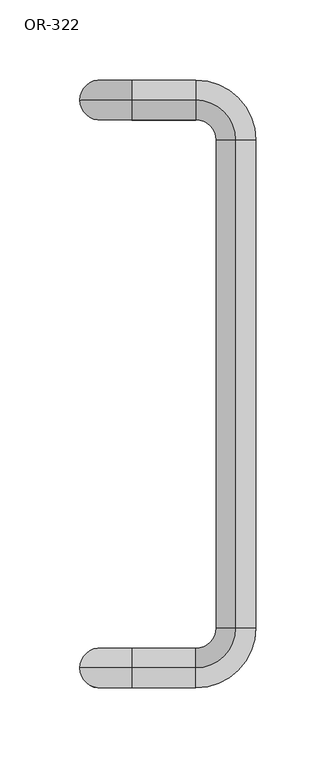
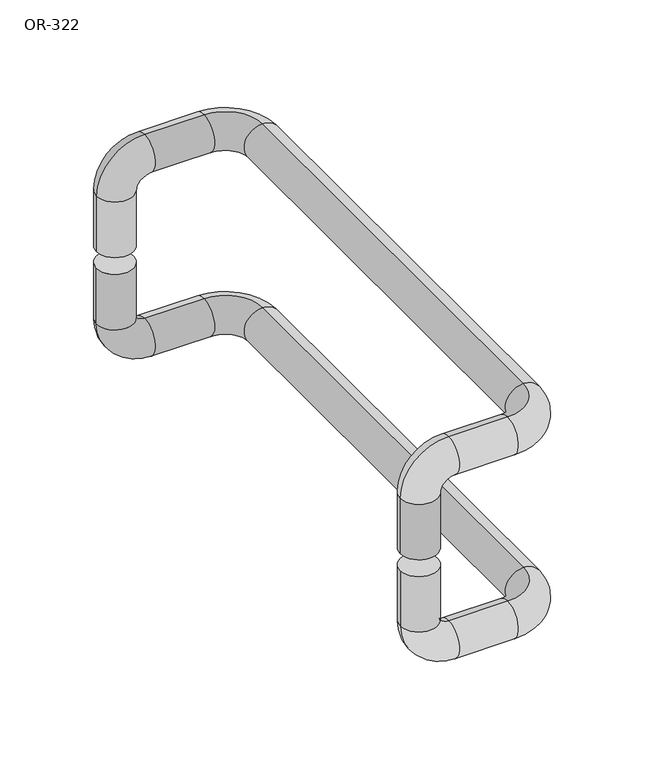
"""IFC4 building model written with IfcOpenShell, lengths in millimetres: proxy geometry, OR-322."""

from ifc_helpers import new_model, si_unit, point, frame, origin, place, context, project, spatial, circle_curve, ellipse_curve, trimmed, source, transform, mapped, element, save
from ifc_brep_helpers import plane_surface, cylinder_surface, revolved_surface, advanced_brep


def or_322_b1645a32(model_context):
    return source(origin(), model_context, "Body", "AdvancedBrep", [
        advanced_brep(
        [(12.5, 177.5, -12.0), (-12.5, 177.5, -12.0), (-12.5, 177.5, -51.5), (12.5, 177.5, -51.5), (20.0, 177.5, -59.0), (20.0, 177.5, -84.0), (12.5, -177.5, -51.5), (20.0, -177.5, -59.0), (20.0, -177.5, -84.0), (-12.5, -177.5, -51.5), (12.5, -177.5, -12.0), (-12.5, -177.5, -12.0), (60.0, 177.5, -84.0), (60.0, 177.5, -59.0), (85.0, 152.5, -59.0), (85.0, 152.5, -84.0), (85.0, -152.5, -84.0), (85.0, -152.5, -59.0), (60.0, -177.5, -59.0), (60.0, -177.5, -84.0)],
        [
            (0, 1, circle_curve(frame((0.0, 177.5, -12.0), z_axis=(0.0, 0.0, 1.0), x_axis=(-1.0, 0.0, 0.0)), 12.5)),
            (1, 0, circle_curve(frame((0.0, 177.5, -12.0), z_axis=(0.0, 0.0, 1.0), x_axis=(-1.0, 0.0, 0.0)), 12.5)),
            (1, 2),
            (2, 3, circle_curve(frame((0.0, 177.5, -51.5), z_axis=(0.0, 0.0, 1.0), x_axis=(-1.0, 0.0, 0.0)), 12.5)),
            (3, 0),
            (3, 2, circle_curve(frame((0.0, 177.5, -51.5), z_axis=(0.0, 0.0, 1.0), x_axis=(-1.0, 0.0, 0.0)), 12.5)),
            (4, 3, circle_curve(frame((20.0, 177.5, -51.5), z_axis=(0.0, 1.0, 0.0), x_axis=(-1.0, 0.0, 0.0)), 7.5)),
            (2, 5, circle_curve(frame((20.0, 177.5, -51.5), z_axis=(0.0, -1.0, 0.0), x_axis=(-1.0, 0.0, 0.0)), 32.5)),
            (5, 4, circle_curve(frame((20.0, 177.5, -71.5), z_axis=(-1.0, 0.0, 0.0), x_axis=(0.0, 0.0, -1.0)), 12.5)),
            (4, 5, circle_curve(frame((20.0, 177.5, -71.5), z_axis=(-1.0, 0.0, 0.0), x_axis=(0.0, 0.0, -1.0)), 12.5)),
            (6, 7, circle_curve(frame((20.0, -177.5, -51.5), z_axis=(0.0, -1.0, 0.0), x_axis=(0.0, 0.0, -1.0)), 7.5)),
            (7, 8, circle_curve(frame((20.0, -177.5, -71.5), z_axis=(-1.0, 0.0, 0.0), x_axis=(0.0, 0.0, -1.0)), 12.5)),
            (8, 9, circle_curve(frame((20.0, -177.5, -51.5), z_axis=(0.0, 1.0, 0.0), x_axis=(0.0, 0.0, -1.0)), 32.5)),
            (9, 6, circle_curve(frame((0.0, -177.5, -51.5), z_axis=(0.0, 0.0, -1.0), x_axis=(-1.0, 0.0, 0.0)), 12.5)),
            (8, 7, circle_curve(frame((20.0, -177.5, -71.5), z_axis=(-1.0, 0.0, 0.0), x_axis=(0.0, 0.0, -1.0)), 12.5)),
            (6, 9, circle_curve(frame((0.0, -177.5, -51.5), z_axis=(0.0, 0.0, -1.0), x_axis=(-1.0, 0.0, 0.0)), 12.5)),
            (10, 11, circle_curve(frame((0.0, -177.5, -12.0), z_axis=(0.0, 0.0, 1.0), x_axis=(-1.0, 0.0, 0.0)), 12.5)),
            (11, 10, circle_curve(frame((0.0, -177.5, -12.0), z_axis=(0.0, 0.0, 1.0), x_axis=(-1.0, 0.0, 0.0)), 12.5)),
            (9, 11),
            (10, 6),
            (5, 12),
            (12, 13, circle_curve(frame((60.0, 177.5, -71.5), z_axis=(-1.0, 0.0, 0.0), x_axis=(0.0, 0.0, -1.0)), 12.5)),
            (13, 4),
            (13, 12, circle_curve(frame((60.0, 177.5, -71.5), z_axis=(-1.0, 0.0, 0.0), x_axis=(0.0, 0.0, -1.0)), 12.5)),
            (14, 13, circle_curve(frame((60.0, 152.5, -59.0), z_axis=(0.0, 0.0, 1.0), x_axis=(0.0, 1.0, 0.0)), 25.0)),
            (12, 15, circle_curve(frame((60.0, 152.5, -84.0), z_axis=(0.0, 0.0, -1.0), x_axis=(0.0, 1.0, 0.0)), 25.0)),
            (15, 14, circle_curve(frame((85.0, 152.5, -71.5), z_axis=(0.0, 1.0, 0.0), x_axis=(0.0, 0.0, -1.0)), 12.5)),
            (14, 15, circle_curve(frame((85.0, 152.5, -71.5), z_axis=(0.0, 1.0, 0.0), x_axis=(0.0, 0.0, -1.0)), 12.5)),
            (15, 16),
            (16, 17, circle_curve(frame((85.0, -152.5, -71.5), z_axis=(0.0, 1.0, 0.0), x_axis=(0.0, 0.0, -1.0)), 12.5)),
            (17, 14),
            (17, 16, circle_curve(frame((85.0, -152.5, -71.5), z_axis=(0.0, 1.0, 0.0), x_axis=(0.0, 0.0, -1.0)), 12.5)),
            (18, 17, circle_curve(frame((60.0, -152.5, -59.0), z_axis=(0.0, 0.0, 1.0), x_axis=(1.0, 0.0, 0.0)), 25.0)),
            (16, 19, circle_curve(frame((60.0, -152.5, -84.0), z_axis=(0.0, 0.0, -1.0), x_axis=(1.0, 0.0, 0.0)), 25.0)),
            (19, 18, circle_curve(frame((60.0, -177.5, -71.5), z_axis=(1.0, 0.0, 0.0), x_axis=(0.0, 0.0, -1.0)), 12.5)),
            (18, 19, circle_curve(frame((60.0, -177.5, -71.5), z_axis=(1.0, 0.0, 0.0), x_axis=(0.0, 0.0, -1.0)), 12.5)),
            (19, 8),
            (7, 18),
        ],
        [
            plane_surface(frame((0.0, 165.0, -12.0), z_axis=(0.0, 0.0, 1.0), x_axis=(-1.0, 0.0, 0.0))),
            cylinder_surface(frame((0.0, 177.5, -12.0), z_axis=(0.0, 0.0, 1.0), x_axis=(-1.0, 0.0, 0.0)), 12.5),
            revolved_surface(trimmed(ellipse_curve(frame((0.0, 177.5, -51.5), z_axis=(0.0, 0.0, 1.0), x_axis=(-1.0, 0.0, 0.0)), 12.5, 12.5), [point((-12.5, 177.5, -51.5))], [point((12.5, 177.5, -51.5))], True, "CARTESIAN"), (20.0, 177.5, -51.5), (0.0, -1.0, 0.0)),
            revolved_surface(trimmed(ellipse_curve(frame((0.0, 177.5, -51.5), z_axis=(0.0, 0.0, 1.0), x_axis=(-1.0, 0.0, 0.0)), 12.5, 12.5), [point((12.5, 177.5, -51.5))], [point((-12.5, 177.5, -51.5))], True, "CARTESIAN"), (20.0, 177.5, -51.5), (0.0, -1.0, 0.0)),
            revolved_surface(trimmed(ellipse_curve(frame((20.0, -177.5, -71.5), z_axis=(1.0, 0.0, 0.0), x_axis=(0.0, 0.0, -1.0)), 12.5, 12.5), [point((20.0, -177.5, -84.0))], [point((20.0, -177.5, -59.0))], True, "CARTESIAN"), (20.0, -177.5, -51.5), (0.0, 1.0, 0.0)),
            revolved_surface(trimmed(ellipse_curve(frame((20.0, -177.5, -71.5), z_axis=(1.0, 0.0, 0.0), x_axis=(0.0, 0.0, -1.0)), 12.5, 12.5), [point((20.0, -177.5, -59.0))], [point((20.0, -177.5, -84.0))], True, "CARTESIAN"), (20.0, -177.5, -51.5), (0.0, 1.0, 0.0)),
            plane_surface(frame((0.0, -190.0, -12.0), z_axis=(0.0, 0.0, 1.0), x_axis=(1.0, 0.0, 0.0))),
            cylinder_surface(frame((0.0, -177.5, -51.5), z_axis=(0.0, 0.0, -1.0), x_axis=(-1.0, 0.0, 0.0)), 12.5),
            cylinder_surface(frame((20.0, 177.5, -71.5), z_axis=(-1.0, 0.0, 0.0), x_axis=(0.0, 0.0, -1.0)), 12.5),
            revolved_surface(trimmed(ellipse_curve(frame((60.0, 177.5, -71.5), z_axis=(-1.0, 0.0, 0.0), x_axis=(0.0, 0.0, -1.0)), 12.5, 12.5), [point((60.0, 177.5, -84.0))], [point((60.0, 177.5, -59.0))], True, "CARTESIAN"), (60.0, 152.5, -71.5), (0.0, 0.0, -1.0)),
            revolved_surface(trimmed(ellipse_curve(frame((60.0, 177.5, -71.5), z_axis=(-1.0, 0.0, 0.0), x_axis=(0.0, 0.0, -1.0)), 12.5, 12.5), [point((60.0, 177.5, -59.0))], [point((60.0, 177.5, -84.0))], True, "CARTESIAN"), (60.0, 152.5, -71.5), (0.0, 0.0, -1.0)),
            cylinder_surface(frame((85.0, 152.5, -71.5), z_axis=(0.0, 1.0, 0.0), x_axis=(0.0, 0.0, -1.0)), 12.5),
            revolved_surface(trimmed(ellipse_curve(frame((85.0, -152.5, -71.5), z_axis=(0.0, 1.0, 0.0), x_axis=(0.0, 0.0, -1.0)), 12.5, 12.5), [point((85.0, -152.5, -84.0))], [point((85.0, -152.5, -59.0))], True, "CARTESIAN"), (60.0, -152.5, -71.5), (0.0, 0.0, -1.0)),
            revolved_surface(trimmed(ellipse_curve(frame((85.0, -152.5, -71.5), z_axis=(0.0, 1.0, 0.0), x_axis=(0.0, 0.0, -1.0)), 12.5, 12.5), [point((85.0, -152.5, -59.0))], [point((85.0, -152.5, -84.0))], True, "CARTESIAN"), (60.0, -152.5, -71.5), (0.0, 0.0, -1.0)),
            cylinder_surface(frame((60.0, -177.5, -71.5), z_axis=(1.0, 0.0, 0.0), x_axis=(0.0, 0.0, -1.0)), 12.5),
        ],
        [
            (0, [[1, 2]]),
            (1, [[-2, 3, 4, 5]]),
            (1, [[-1, -5, 6, -3]]),
            (2, [[7, -4, 8, 9]]),
            (3, [[-8, -6, -7, 10]]),
            (4, [[11, 12, 13, 14]]),
            (5, [[-13, 15, -11, 16]]),
            (6, [[17, 18]]),
            (7, [[-14, 19, -17, 20]]),
            (7, [[-16, -20, -18, -19]]),
            (8, [[-9, 21, 22, 23]]),
            (8, [[-10, -23, 24, -21]]),
            (9, [[25, -22, 26, 27]]),
            (10, [[-26, -24, -25, 28]]),
            (11, [[-27, 29, 30, 31]]),
            (11, [[-28, -31, 32, -29]]),
            (12, [[33, -30, 34, 35]]),
            (13, [[-34, -32, -33, 36]]),
            (14, [[-35, 37, -12, 38]]),
            (14, [[-36, -38, -15, -37]]),
        ],
    ),
        advanced_brep(
        [(-12.5, 177.5, 0.0), (12.5, 177.5, 0.0), (-12.5, 177.5, 39.5), (12.5, 177.5, 39.5), (20.0, 177.5, 47.0), (20.0, 177.5, 72.0), (12.5, -177.5, 39.5), (20.0, -177.5, 47.0), (20.0, -177.5, 72.0), (-12.5, -177.5, 39.5), (-12.5, -177.5, 0.0), (12.5, -177.5, 0.0), (60.0, 177.5, 72.0), (60.0, 177.5, 47.0), (85.0, 152.5, 47.0), (85.0, 152.5, 72.0), (85.0, -152.5, 72.0), (85.0, -152.5, 47.0), (60.0, -177.5, 47.0), (60.0, -177.5, 72.0)],
        [
            (0, 1, circle_curve(frame((0.0, 177.5, 0.0), z_axis=(0.0, 0.0, -1.0), x_axis=(1.0, 0.0, 0.0)), 12.5)),
            (1, 0, circle_curve(frame((0.0, 177.5, 0.0), z_axis=(0.0, 0.0, -1.0), x_axis=(1.0, 0.0, 0.0)), 12.5)),
            (0, 2),
            (2, 3, circle_curve(frame((0.0, 177.5, 39.5), z_axis=(0.0, 0.0, -1.0), x_axis=(1.0, 0.0, 0.0)), 12.5)),
            (3, 1),
            (3, 2, circle_curve(frame((0.0, 177.5, 39.5), z_axis=(0.0, 0.0, -1.0), x_axis=(1.0, 0.0, 0.0)), 12.5)),
            (4, 3, circle_curve(frame((20.0, 177.5, 39.5), z_axis=(0.0, -1.0, 0.0), x_axis=(-1.0, 0.0, 0.0)), 7.5)),
            (2, 5, circle_curve(frame((20.0, 177.5, 39.5), z_axis=(0.0, 1.0, 0.0), x_axis=(-1.0, 0.0, 0.0)), 32.5)),
            (5, 4, circle_curve(frame((20.0, 177.5, 59.5), z_axis=(-1.0, 0.0, 0.0), x_axis=(0.0, 0.0, -1.0)), 12.5)),
            (4, 5, circle_curve(frame((20.0, 177.5, 59.5), z_axis=(-1.0, 0.0, 0.0), x_axis=(0.0, 0.0, -1.0)), 12.5)),
            (6, 7, circle_curve(frame((20.0, -177.5, 39.5), z_axis=(0.0, 1.0, 0.0), x_axis=(0.0, 0.0, 1.0)), 7.5)),
            (7, 8, circle_curve(frame((20.0, -177.5, 59.5), z_axis=(-1.0, 0.0, 0.0), x_axis=(0.0, 0.0, -1.0)), 12.5)),
            (8, 9, circle_curve(frame((20.0, -177.5, 39.5), z_axis=(0.0, -1.0, 0.0), x_axis=(0.0, 0.0, 1.0)), 32.5)),
            (9, 6, circle_curve(frame((0.0, -177.5, 39.5), z_axis=(0.0, 0.0, 1.0), x_axis=(1.0, 0.0, 0.0)), 12.5)),
            (8, 7, circle_curve(frame((20.0, -177.5, 59.5), z_axis=(-1.0, 0.0, 0.0), x_axis=(0.0, 0.0, -1.0)), 12.5)),
            (6, 9, circle_curve(frame((0.0, -177.5, 39.5), z_axis=(0.0, 0.0, 1.0), x_axis=(1.0, 0.0, 0.0)), 12.5)),
            (10, 11, circle_curve(frame((0.0, -177.5, 0.0), z_axis=(0.0, 0.0, -1.0), x_axis=(1.0, 0.0, 0.0)), 12.5)),
            (11, 10, circle_curve(frame((0.0, -177.5, 0.0), z_axis=(0.0, 0.0, -1.0), x_axis=(1.0, 0.0, 0.0)), 12.5)),
            (9, 10),
            (11, 6),
            (5, 12),
            (12, 13, circle_curve(frame((60.0, 177.5, 59.5), z_axis=(-1.0, 0.0, 0.0), x_axis=(0.0, 0.0, -1.0)), 12.5)),
            (13, 4),
            (13, 12, circle_curve(frame((60.0, 177.5, 59.5), z_axis=(-1.0, 0.0, 0.0), x_axis=(0.0, 0.0, -1.0)), 12.5)),
            (14, 13, circle_curve(frame((60.0, 152.5, 47.0), z_axis=(0.0, 0.0, 1.0), x_axis=(0.0, 1.0, 0.0)), 25.0)),
            (12, 15, circle_curve(frame((60.0, 152.5, 72.0), z_axis=(0.0, 0.0, -1.0), x_axis=(0.0, 1.0, 0.0)), 25.0)),
            (15, 14, circle_curve(frame((85.0, 152.5, 59.5), z_axis=(0.0, 1.0, 0.0), x_axis=(0.0, 0.0, -1.0)), 12.5)),
            (14, 15, circle_curve(frame((85.0, 152.5, 59.5), z_axis=(0.0, 1.0, 0.0), x_axis=(0.0, 0.0, -1.0)), 12.5)),
            (15, 16),
            (16, 17, circle_curve(frame((85.0, -152.5, 59.5), z_axis=(0.0, 1.0, 0.0), x_axis=(0.0, 0.0, -1.0)), 12.5)),
            (17, 14),
            (17, 16, circle_curve(frame((85.0, -152.5, 59.5), z_axis=(0.0, 1.0, 0.0), x_axis=(0.0, 0.0, -1.0)), 12.5)),
            (18, 17, circle_curve(frame((60.0, -152.5, 47.0), z_axis=(0.0, 0.0, 1.0), x_axis=(1.0, 0.0, 0.0)), 25.0)),
            (16, 19, circle_curve(frame((60.0, -152.5, 72.0), z_axis=(0.0, 0.0, -1.0), x_axis=(1.0, 0.0, 0.0)), 25.0)),
            (19, 18, circle_curve(frame((60.0, -177.5, 59.5), z_axis=(1.0, 0.0, 0.0), x_axis=(0.0, 0.0, -1.0)), 12.5)),
            (18, 19, circle_curve(frame((60.0, -177.5, 59.5), z_axis=(1.0, 0.0, 0.0), x_axis=(0.0, 0.0, -1.0)), 12.5)),
            (19, 8),
            (7, 18),
        ],
        [
            plane_surface(frame((0.0, 165.0, 0.0), z_axis=(0.0, 0.0, -1.0), x_axis=(1.0, 0.0, 0.0))),
            cylinder_surface(frame((0.0, 177.5, 0.0), z_axis=(0.0, 0.0, -1.0), x_axis=(1.0, 0.0, 0.0)), 12.5),
            revolved_surface(trimmed(ellipse_curve(frame((0.0, 177.5, 39.5), z_axis=(0.0, 0.0, -1.0), x_axis=(1.0, 0.0, 0.0)), 12.5, 12.5), [point((-12.5, 177.5, 39.5))], [point((12.5, 177.5, 39.5))], True, "CARTESIAN"), (20.0, 177.5, 39.5), (0.0, 1.0, 0.0)),
            revolved_surface(trimmed(ellipse_curve(frame((0.0, 177.5, 39.5), z_axis=(0.0, 0.0, -1.0), x_axis=(1.0, 0.0, 0.0)), 12.5, 12.5), [point((12.5, 177.5, 39.5))], [point((-12.5, 177.5, 39.5))], True, "CARTESIAN"), (20.0, 177.5, 39.5), (0.0, 1.0, 0.0)),
            revolved_surface(trimmed(ellipse_curve(frame((20.0, -177.5, 59.5), z_axis=(1.0, 0.0, 0.0), x_axis=(0.0, 0.0, -1.0)), 12.5, 12.5), [point((20.0, -177.5, 72.0))], [point((20.0, -177.5, 47.0))], True, "CARTESIAN"), (20.0, -177.5, 39.5), (0.0, -1.0, 0.0)),
            revolved_surface(trimmed(ellipse_curve(frame((20.0, -177.5, 59.5), z_axis=(1.0, 0.0, 0.0), x_axis=(0.0, 0.0, -1.0)), 12.5, 12.5), [point((20.0, -177.5, 47.0))], [point((20.0, -177.5, 72.0))], True, "CARTESIAN"), (20.0, -177.5, 39.5), (0.0, -1.0, 0.0)),
            plane_surface(frame((0.0, -190.0, 0.0), z_axis=(0.0, 0.0, -1.0), x_axis=(-1.0, 0.0, 0.0))),
            cylinder_surface(frame((0.0, -177.5, 39.5), z_axis=(0.0, 0.0, 1.0), x_axis=(1.0, 0.0, 0.0)), 12.5),
            cylinder_surface(frame((20.0, 177.5, 59.5), z_axis=(-1.0, 0.0, 0.0), x_axis=(0.0, 0.0, -1.0)), 12.5),
            revolved_surface(trimmed(ellipse_curve(frame((60.0, 177.5, 59.5), z_axis=(-1.0, 0.0, 0.0), x_axis=(0.0, 0.0, -1.0)), 12.5, 12.5), [point((60.0, 177.5, 72.0))], [point((60.0, 177.5, 47.0))], True, "CARTESIAN"), (60.0, 152.5, 59.5), (0.0, 0.0, -1.0)),
            revolved_surface(trimmed(ellipse_curve(frame((60.0, 177.5, 59.5), z_axis=(-1.0, 0.0, 0.0), x_axis=(0.0, 0.0, -1.0)), 12.5, 12.5), [point((60.0, 177.5, 47.0))], [point((60.0, 177.5, 72.0))], True, "CARTESIAN"), (60.0, 152.5, 59.5), (0.0, 0.0, -1.0)),
            cylinder_surface(frame((85.0, 152.5, 59.5), z_axis=(0.0, 1.0, 0.0), x_axis=(0.0, 0.0, -1.0)), 12.5),
            revolved_surface(trimmed(ellipse_curve(frame((85.0, -152.5, 59.5), z_axis=(0.0, 1.0, 0.0), x_axis=(0.0, 0.0, -1.0)), 12.5, 12.5), [point((85.0, -152.5, 72.0))], [point((85.0, -152.5, 47.0))], True, "CARTESIAN"), (60.0, -152.5, 59.5), (0.0, 0.0, -1.0)),
            revolved_surface(trimmed(ellipse_curve(frame((85.0, -152.5, 59.5), z_axis=(0.0, 1.0, 0.0), x_axis=(0.0, 0.0, -1.0)), 12.5, 12.5), [point((85.0, -152.5, 47.0))], [point((85.0, -152.5, 72.0))], True, "CARTESIAN"), (60.0, -152.5, 59.5), (0.0, 0.0, -1.0)),
            cylinder_surface(frame((60.0, -177.5, 59.5), z_axis=(1.0, 0.0, 0.0), x_axis=(0.0, 0.0, -1.0)), 12.5),
        ],
        [
            (0, [[1, 2]]),
            (1, [[-1, 3, 4, 5]]),
            (1, [[-2, -5, 6, -3]]),
            (2, [[7, -4, 8, 9]]),
            (3, [[-8, -6, -7, 10]]),
            (4, [[11, 12, 13, 14]]),
            (5, [[-13, 15, -11, 16]]),
            (6, [[17, 18]]),
            (7, [[-14, 19, -18, 20]]),
            (7, [[-16, -20, -17, -19]]),
            (8, [[-9, 21, 22, 23]]),
            (8, [[-10, -23, 24, -21]]),
            (9, [[25, -22, 26, 27]]),
            (10, [[-26, -24, -25, 28]]),
            (11, [[-27, 29, 30, 31]]),
            (11, [[-28, -31, 32, -29]]),
            (12, [[33, -30, 34, 35]]),
            (13, [[-34, -32, -33, 36]]),
            (14, [[-35, 37, -12, 38]]),
            (14, [[-36, -38, -15, -37]]),
        ],
    ),
    ])


if __name__ == "__main__":
    model = new_model("IFC4")
    model_context = context("Model", 3, world=origin())
    ifc_project = project(units=[si_unit("LENGTHUNIT", "METRE", prefix="MILLI")], contexts=[model_context])
    site = spatial("IfcSite", under=ifc_project)
    building = spatial("IfcBuilding", under=site)
    placement = place(None, origin())
    or_322_shape = or_322_b1645a32(model_context)
    element("IfcBuildingElementProxy", 1, Name="OR-322", ObjectType="OR-322", at=placement, inside=building, context=model_context, shape_type="MappedRepresentation", body=[
        mapped(or_322_shape, transform((0.0, 0.0, 0.0), x_axis=(1.0, 0.0, 0.0), y_axis=(0.0, 1.0, 0.0), z_axis=(0.0, 0.0, 1.0))),
    ])
    save(model, "model.ifc")
